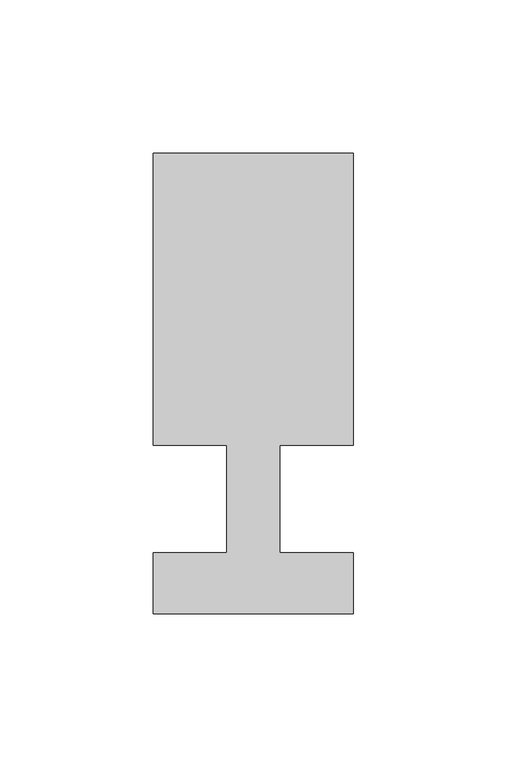
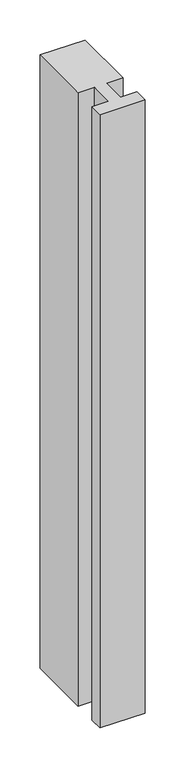
"""IFC4 building model written with IfcOpenShell, lengths in millimetres: member geometry."""

from ifc_helpers import new_model, si_unit, frame, origin, place, context, project, spatial, polyline, outline, extrude, source, transform, mapped, element, save


def member_fe5c8ef9(model_context):
    return source(origin(), model_context, "Body", "SweptSolid", [
        extrude(outline(polyline([(-65.0, -37.0), (-65.0, -17.0), (-41.1875, -17.0), (-41.1875, 18.0), (-65.0, 18.0), (-65.0, 113.0), (0.0, 113.0), (0.0, 18.0), (-23.8125, 18.0), (-23.8125, -17.0), (0.0, -17.0), (0.0, -37.0), (-65.0, -37.0)])), frame((0.0, 0.0, -935.0), z_axis=(0.0, 0.0, 1.0), x_axis=(1.0, 0.0, 0.0)), (0.0, 0.0, 1.0), 935.0),
    ])


if __name__ == "__main__":
    model = new_model("IFC4")
    model_context = context("Model", 3, world=origin())
    ifc_project = project(units=[si_unit("LENGTHUNIT", "METRE", prefix="MILLI")], contexts=[model_context])
    site = spatial("IfcSite", under=ifc_project)
    building = spatial("IfcBuilding", under=site)
    placement = place(None, origin())
    member_shape = member_fe5c8ef9(model_context)
    element("IfcMember", 1, at=placement, inside=building, context=model_context, shape_type="MappedRepresentation", body=[
        mapped(member_shape, transform((0.0, 0.0, 0.0), x_axis=(1.0, 0.0, 0.0), y_axis=(0.0, 1.0, 0.0), z_axis=(0.0, 0.0, 1.0))),
    ])
    save(model, "model.ifc")
